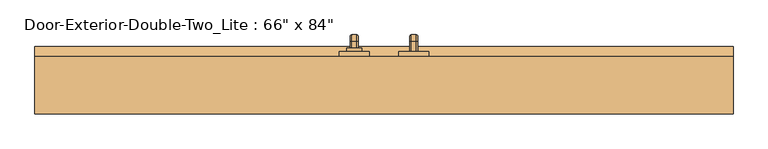
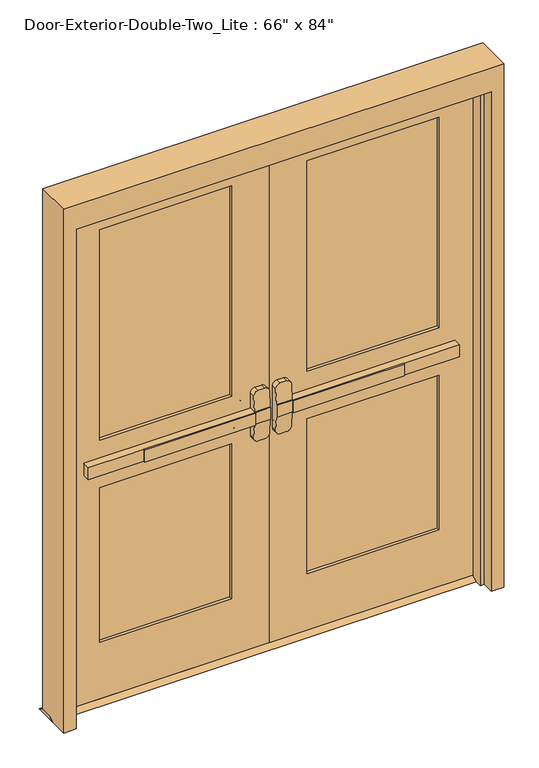
"""IFC4 building model written with IfcOpenShell, lengths in millimetres: door geometry."""

from ifc_helpers import new_model, si_unit, point, frame, frame_2d, origin, place, context, project, spatial, polyline, circle_curve, ellipse_curve, trimmed, segment, composite_curve, outline, extrude, faceted_brep, source, transform, mapped, element, save
from ifc_brep_helpers import plane_surface, cylinder_surface, revolved_surface, advanced_brep


def door_c4ad0d3c(model_context):
    return source(origin(), model_context, "Body", "SolidModel", [
        extrude(outline(polyline([(-524.9333333, 74.6125), (-524.9333333, 80.9625), (-76.2, 80.9625), (-76.2, 74.6125), (-524.9333333, 74.6125)])), frame((0.0, 0.0, 990.6), z_axis=(0.0, 0.0, 1.0), x_axis=(1.0, 0.0, 0.0)), (0.0, 0.0, 1.0), 50.8),
        advanced_brep(
        [(-12.7, 80.9625, 1041.4), (-76.2, 80.9625, 1041.4), (-749.3, 80.9625, 1041.4), (-749.3, 80.9625, 990.6), (-76.2, 80.9625, 990.6), (-12.7, 80.9625, 990.6), (-749.3, 112.7125, 1041.4), (-76.2, 112.7125, 1041.4), (-76.2, 112.7125, 1104.9), (-57.15, 112.7125, 1123.95), (-31.75, 112.7125, 1123.95), (-12.7, 112.7125, 1104.9), (-12.7, 112.7125, 927.1), (-31.75, 112.7125, 908.05), (-57.15, 112.7125, 908.05), (-76.2, 112.7125, 927.1), (-76.2, 112.7125, 990.6), (-749.3, 112.7125, 990.6), (-12.7, 84.1377467, 1041.4), (-76.2, 84.1377467, 1041.4), (-12.7, 84.1377467, 990.6), (-12.7, 89.1479269, 927.1), (-12.7, 89.1479269, 1104.9), (-76.2, 84.1377467, 990.6), (-76.2, 89.1479269, 1104.9), (-76.2, 89.1479269, 927.1), (-57.15, 90.650981, 1123.95), (-31.75, 90.650981, 1123.95), (-31.75, 90.650981, 908.05), (-57.15, 90.650981, 908.05)],
        [
            (0, 1),
            (1, 2),
            (2, 3),
            (3, 4),
            (4, 5),
            (5, 0),
            (6, 7),
            (7, 8),
            (8, 9, circle_curve(frame((-57.15, 112.7125, 1104.9), z_axis=(0.0, 1.0, 0.0), x_axis=(-1.0, 0.0, 0.0)), 19.05)),
            (9, 10),
            (10, 11, circle_curve(frame((-31.75, 112.7125, 1104.9), z_axis=(0.0, 1.0, 0.0), x_axis=(-1.0, 0.0, 0.0)), 19.05)),
            (11, 12),
            (12, 13, circle_curve(frame((-31.75, 112.7125, 927.1), z_axis=(0.0, 1.0, 0.0), x_axis=(-1.0, 0.0, 0.0)), 19.05)),
            (13, 14),
            (14, 15, circle_curve(frame((-57.15, 112.7125, 927.1), z_axis=(0.0, 1.0, 0.0), x_axis=(-1.0, 0.0, 0.0)), 19.05)),
            (15, 16),
            (16, 17),
            (17, 6),
            (0, 18),
            (18, 19),
            (19, 7),
            (6, 2),
            (5, 20),
            (20, 21),
            (21, 12),
            (11, 22),
            (22, 18),
            (16, 23),
            (23, 20),
            (3, 17),
            (19, 24),
            (24, 8),
            (15, 25),
            (25, 23),
            (9, 26),
            (26, 27),
            (27, 10),
            (13, 28),
            (28, 29),
            (29, 14),
            (29, 25, ellipse_curve(frame((-57.15, 89.1479269, 927.1), z_axis=(0.0, 0.9969018152893365, 0.07865602756830282), x_axis=(0.0, -0.07865602756830208, 0.9969018152893365)), 19.1092038, 19.05)),
            (24, 26, ellipse_curve(frame((-57.15, 89.1479269, 1104.9), z_axis=(0.0, 0.9969018152893376, -0.07865602756828934), x_axis=(0.0, -0.078656027568288, -0.9969018152893377)), 19.1092038, 19.05)),
            (27, 22, ellipse_curve(frame((-31.75, 89.1479269, 1104.9), z_axis=(0.0, 0.9969018152893376, -0.07865602756828934), x_axis=(0.0, -0.078656027568288, -0.9969018152893377)), 19.1092038, 19.05)),
            (21, 28, ellipse_curve(frame((-31.75, 89.1479269, 927.1), z_axis=(0.0, 0.9969018152893365, 0.07865602756830282), x_axis=(0.0, -0.07865602756830208, 0.9969018152893365)), 19.1092038, 19.05)),
        ],
        [
            plane_surface(frame((-12.7, 80.9625, 1041.4), z_axis=(0.0, -1.0, 0.0), x_axis=(1.0, 0.0, 0.0))),
            plane_surface(frame((-12.7, 112.7125, 1041.4), z_axis=(0.0, 1.0, 0.0), x_axis=(-1.0, 0.0, 0.0))),
            plane_surface(frame((-749.3, 80.9625, 1041.4), z_axis=(0.0, 0.0, 1.0), x_axis=(0.0, 1.0, 0.0))),
            plane_surface(frame((-12.7, 80.9625, 1041.4), z_axis=(1.0, 0.0, 0.0), x_axis=(0.0, 1.0, 0.0))),
            plane_surface(frame((-12.7, 80.9625, 990.6), z_axis=(0.0, 0.0, -1.0), x_axis=(0.0, 1.0, 0.0))),
            plane_surface(frame((-749.3, 80.9625, 990.6), z_axis=(-1.0, 0.0, 0.0), x_axis=(0.0, 1.0, 0.0))),
            plane_surface(frame((-76.2, 84.1377467, 927.1), z_axis=(-1.0, 0.0, 0.0), x_axis=(0.0, 1.0, 0.0))),
            plane_surface(frame((-57.15, 84.1377467, 1123.95), z_axis=(0.0, 0.0, 1.0), x_axis=(0.0, 1.0, 0.0))),
            plane_surface(frame((-31.75, 84.1377467, 908.05), z_axis=(0.0, 0.0, -1.0), x_axis=(0.0, 1.0, 0.0))),
            cylinder_surface(frame((-57.15, 112.7125, 927.1), z_axis=(0.0, -1.0, 0.0), x_axis=(-1.0, 0.0, 0.0)), 19.05),
            cylinder_surface(frame((-57.15, 112.7125, 1104.9), z_axis=(0.0, -1.0, 0.0), x_axis=(-1.0, 0.0, 0.0)), 19.05),
            cylinder_surface(frame((-31.75, 112.7125, 1104.9), z_axis=(0.0, -1.0, 0.0), x_axis=(-1.0, 0.0, 0.0)), 19.05),
            cylinder_surface(frame((-31.75, 112.7125, 927.1), z_axis=(0.0, -1.0, 0.0), x_axis=(-1.0, 0.0, 0.0)), 19.05),
            plane_surface(frame((-76.2, 84.1377467, 1041.4), z_axis=(0.0, -0.9969018152893376, 0.07865602756828934), x_axis=(1.0, 0.0, 0.0))),
            plane_surface(frame((-76.2, 90.650981, 908.05), z_axis=(0.0, -0.9969018152893365, -0.07865602756830282), x_axis=(1.0, 0.0, 0.0))),
        ],
        [
            (0, [[1, 2, 3, 4, 5, 6]]),
            (1, [[7, 8, 9, 10, 11, 12, 13, 14, 15, 16, 17, 18]]),
            (2, [[-2, -1, 19, 20, 21, -7, 22]]),
            (3, [[23, 24, 25, -12, 26, 27, -19, -6]]),
            (4, [[-17, 28, 29, -23, -5, -4, 30]]),
            (5, [[-22, -18, -30, -3]]),
            (6, [[-21, 31, 32, -8]]),
            (6, [[33, 34, -28, -16]]),
            (7, [[35, 36, 37, -10]]),
            (8, [[38, 39, 40, -14]]),
            (9, [[-40, 41, -33, -15]]),
            (10, [[-32, 42, -35, -9]]),
            (11, [[-37, 43, -26, -11]]),
            (12, [[-25, 44, -38, -13]]),
            (13, [[-27, -43, -36, -42, -31, -20]]),
            (14, [[-29, -34, -41, -39, -44, -24]]),
        ],
    ),
        extrude(outline(polyline([(157.1625, 12.7), (182.5625, 0.0), (87.3125, 0.0), (112.7125, 12.7), (157.1625, 12.7)])), frame((-889.0, 0.0, 0.0), z_axis=(1.0, 0.0, 0.0), x_axis=(0.0, 1.0, 0.0)), (0.0, 0.0, 1.0), 1778.0),
        extrude(outline(polyline([(524.9333333, 74.6125), (76.2, 74.6125), (76.2, 80.9625), (524.9333333, 80.9625), (524.9333333, 74.6125)])), frame((0.0, 0.0, 990.6), z_axis=(0.0, 0.0, 1.0), x_axis=(1.0, 0.0, 0.0)), (0.0, 0.0, 1.0), 50.8),
        advanced_brep(
        [(12.7, 80.9625, 1041.4), (12.7, 80.9625, 990.6), (76.2, 80.9625, 990.6), (749.3, 80.9625, 990.6), (749.3, 80.9625, 1041.4), (76.2, 80.9625, 1041.4), (749.3, 112.7125, 1041.4), (749.3, 112.7125, 990.6), (76.2, 112.7125, 990.6), (76.2, 112.7125, 927.1), (57.15, 112.7125, 908.05), (31.75, 112.7125, 908.05), (12.7, 112.7125, 927.1), (12.7, 112.7125, 1104.9), (31.75, 112.7125, 1123.95), (57.15, 112.7125, 1123.95), (76.2, 112.7125, 1104.9), (76.2, 112.7125, 1041.4), (76.2, 84.1377467, 1041.4), (12.7, 84.1377467, 1041.4), (12.7, 89.1479269, 1104.9), (12.7, 89.1479269, 927.1), (12.7, 84.1377467, 990.6), (76.2, 84.1377467, 990.6), (76.2, 89.1479269, 927.1), (76.2, 89.1479269, 1104.9), (31.75, 90.650981, 1123.95), (57.15, 90.650981, 1123.95), (57.15, 90.650981, 908.05), (31.75, 90.650981, 908.05)],
        [
            (0, 1),
            (1, 2),
            (2, 3),
            (3, 4),
            (4, 5),
            (5, 0),
            (6, 7),
            (7, 8),
            (8, 9),
            (9, 10, circle_curve(frame((57.15, 112.7125, 927.1), z_axis=(0.0, 1.0, 0.0), x_axis=(1.0, 0.0, 0.0)), 19.05)),
            (10, 11),
            (11, 12, circle_curve(frame((31.75, 112.7125, 927.1), z_axis=(0.0, 1.0, 0.0), x_axis=(1.0, 0.0, 0.0)), 19.05)),
            (12, 13),
            (13, 14, circle_curve(frame((31.75, 112.7125, 1104.9), z_axis=(0.0, 1.0, 0.0), x_axis=(1.0, 0.0, 0.0)), 19.05)),
            (14, 15),
            (15, 16, circle_curve(frame((57.15, 112.7125, 1104.9), z_axis=(0.0, 1.0, 0.0), x_axis=(1.0, 0.0, 0.0)), 19.05)),
            (16, 17),
            (17, 6),
            (4, 6),
            (17, 18),
            (18, 19),
            (19, 0),
            (19, 20),
            (20, 13),
            (12, 21),
            (21, 22),
            (22, 1),
            (7, 3),
            (22, 23),
            (23, 8),
            (23, 24),
            (24, 9),
            (16, 25),
            (25, 18),
            (14, 26),
            (26, 27),
            (27, 15),
            (10, 28),
            (28, 29),
            (29, 11),
            (24, 28, ellipse_curve(frame((57.15, 89.1479269, 927.1), z_axis=(0.0, 0.9969018152893365, 0.07865602756830282), x_axis=(0.0, -0.07865602756830208, 0.9969018152893365)), 19.1092038, 19.05)),
            (27, 25, ellipse_curve(frame((57.15, 89.1479269, 1104.9), z_axis=(0.0, 0.9969018152893376, -0.07865602756828934), x_axis=(0.0, -0.078656027568288, -0.9969018152893377)), 19.1092038, 19.05)),
            (20, 26, ellipse_curve(frame((31.75, 89.1479269, 1104.9), z_axis=(0.0, 0.9969018152893376, -0.07865602756828934), x_axis=(0.0, -0.078656027568288, -0.9969018152893377)), 19.1092038, 19.05)),
            (29, 21, ellipse_curve(frame((31.75, 89.1479269, 927.1), z_axis=(0.0, 0.9969018152893365, 0.07865602756830282), x_axis=(0.0, -0.07865602756830208, 0.9969018152893365)), 19.1092038, 19.05)),
        ],
        [
            plane_surface(frame((12.7, 80.9625, 1041.4), z_axis=(0.0, -1.0, 0.0), x_axis=(-1.0, 0.0, 0.0))),
            plane_surface(frame((12.7, 112.7125, 1041.4), z_axis=(0.0, 1.0, 0.0), x_axis=(1.0, 0.0, 0.0))),
            plane_surface(frame((749.3, 80.9625, 1041.4), z_axis=(0.0, 0.0, 1.0), x_axis=(0.0, 1.0, 0.0))),
            plane_surface(frame((12.7, 80.9625, 1041.4), z_axis=(-1.0, 0.0, 0.0), x_axis=(0.0, 1.0, 0.0))),
            plane_surface(frame((12.7, 80.9625, 990.6), z_axis=(0.0, 0.0, -1.0), x_axis=(0.0, 1.0, 0.0))),
            plane_surface(frame((749.3, 80.9625, 990.6), z_axis=(1.0, 0.0, 0.0), x_axis=(0.0, 1.0, 0.0))),
            plane_surface(frame((76.2, 84.1377467, 927.1), z_axis=(1.0, 0.0, 0.0), x_axis=(0.0, 1.0, 0.0))),
            plane_surface(frame((57.15, 84.1377467, 1123.95), z_axis=(0.0, 0.0, 1.0), x_axis=(0.0, 1.0, 0.0))),
            plane_surface(frame((31.75, 84.1377467, 908.05), z_axis=(0.0, 0.0, -1.0), x_axis=(0.0, 1.0, 0.0))),
            cylinder_surface(frame((57.15, 112.7125, 927.1), z_axis=(0.0, -1.0, 0.0), x_axis=(1.0, 0.0, 0.0)), 19.05),
            cylinder_surface(frame((57.15, 112.7125, 1104.9), z_axis=(0.0, -1.0, 0.0), x_axis=(1.0, 0.0, 0.0)), 19.05),
            cylinder_surface(frame((31.75, 112.7125, 1104.9), z_axis=(0.0, -1.0, 0.0), x_axis=(1.0, 0.0, 0.0)), 19.05),
            cylinder_surface(frame((31.75, 112.7125, 927.1), z_axis=(0.0, -1.0, 0.0), x_axis=(1.0, 0.0, 0.0)), 19.05),
            plane_surface(frame((76.2, 84.1377467, 1041.4), z_axis=(0.0, -0.9969018152893376, 0.07865602756828934), x_axis=(-1.0, 0.0, 0.0))),
            plane_surface(frame((76.2, 90.650981, 908.05), z_axis=(0.0, -0.9969018152893365, -0.07865602756830282), x_axis=(-1.0, 0.0, 0.0))),
        ],
        [
            (0, [[1, 2, 3, 4, 5, 6]]),
            (1, [[7, 8, 9, 10, 11, 12, 13, 14, 15, 16, 17, 18]]),
            (2, [[19, -18, 20, 21, 22, -6, -5]]),
            (3, [[-1, -22, 23, 24, -13, 25, 26, 27]]),
            (4, [[28, -3, -2, -27, 29, 30, -8]]),
            (5, [[-4, -28, -7, -19]]),
            (6, [[-9, -30, 31, 32]]),
            (6, [[-17, 33, 34, -20]]),
            (7, [[-15, 35, 36, 37]]),
            (8, [[-11, 38, 39, 40]]),
            (9, [[-10, -32, 41, -38]]),
            (10, [[-16, -37, 42, -33]]),
            (11, [[-14, -24, 43, -35]]),
            (12, [[-12, -40, 44, -25]]),
            (13, [[-21, -34, -42, -36, -43, -23]]),
            (14, [[-26, -44, -39, -41, -31, -29]]),
        ],
    ),
        advanced_brep(
        [(66.2, 169.8625, 1017.190625), (66.2, 169.8625, 1014.809375), (69.771875, 169.8625, 1011.2375), (82.6284594, 169.8625, 1011.2375), (86.2, 169.8625, 1014.8090406), (86.2, 169.8625, 1017.190625), (82.628125, 169.8625, 1020.7625), (69.771875, 169.8625, 1020.7625), (66.2, 169.8625, 887.809375), (69.771875, 169.8625, 884.2375), (82.628125, 169.8625, 884.2375), (86.2, 169.8625, 887.809375), (86.2, 169.8625, 890.1909594), (82.6284594, 169.8625, 893.7625), (69.771875, 169.8625, 893.7625), (66.2, 169.8625, 890.190625), (66.2, 195.2625, 1017.190625), (66.2, 209.153125, 1003.3), (66.2, 209.153125, 901.7), (66.2, 195.2625, 887.809375), (66.2, 195.2625, 890.190625), (66.2, 206.771875, 901.7), (66.2, 206.771875, 1003.3), (66.2, 195.2625, 1014.809375), (69.771875, 195.2625, 1011.2375), (82.6284594, 195.2625, 1011.2375), (86.2, 195.2625, 1014.8090406), (86.2, 206.7715406, 1003.3), (86.2, 206.7715406, 901.7), (86.2, 195.2625, 890.1909594), (86.2, 195.2625, 887.809375), (86.2, 209.153125, 901.7), (86.2, 209.153125, 1003.3), (86.2, 195.2625, 1017.190625), (82.628125, 195.2625, 1020.7625), (69.771875, 195.2625, 1020.7625), (69.771875, 203.2, 1003.3), (82.6284594, 203.2, 1003.3), (82.628125, 212.725, 1003.3), (69.771875, 212.725, 1003.3), (69.771875, 203.2, 901.7), (82.6284594, 203.2, 901.7), (82.628125, 212.725, 901.7), (69.771875, 212.725, 901.7), (69.771875, 195.2625, 893.7625), (82.6284594, 195.2625, 893.7625), (82.628125, 195.2625, 884.2375), (69.771875, 195.2625, 884.2375)],
        [
            (0, 1),
            (1, 2, circle_curve(frame((69.771875, 169.8625, 1014.809375), z_axis=(0.0, -1.0, 0.0), x_axis=(0.0, 0.0, 1.0)), 3.571875)),
            (2, 3),
            (3, 4, circle_curve(frame((82.6284594, 169.8625, 1014.8090406), z_axis=(0.0, -1.0, 0.0), x_axis=(0.0, 0.0, 1.0)), 3.5715406)),
            (4, 5),
            (5, 6, circle_curve(frame((82.628125, 169.8625, 1017.190625), z_axis=(0.0, -1.0, 0.0), x_axis=(0.0, 0.0, 1.0)), 3.571875)),
            (6, 7),
            (7, 0, circle_curve(frame((69.771875, 169.8625, 1017.190625), z_axis=(0.0, -1.0, 0.0), x_axis=(0.0, 0.0, 1.0)), 3.571875)),
            (8, 9, circle_curve(frame((69.771875, 169.8625, 887.809375), z_axis=(0.0, -1.0, 0.0), x_axis=(0.0, 0.0, -1.0)), 3.571875)),
            (9, 10),
            (10, 11, circle_curve(frame((82.628125, 169.8625, 887.809375), z_axis=(0.0, -1.0, 0.0), x_axis=(0.0, 0.0, -1.0)), 3.571875)),
            (11, 12),
            (12, 13, circle_curve(frame((82.6284594, 169.8625, 890.1909594), z_axis=(0.0, -1.0, 0.0), x_axis=(0.0, 0.0, -1.0)), 3.5715406)),
            (13, 14),
            (14, 15, circle_curve(frame((69.771875, 169.8625, 890.190625), z_axis=(0.0, -1.0, 0.0), x_axis=(0.0, 0.0, -1.0)), 3.571875)),
            (15, 8),
            (0, 16),
            (16, 17, circle_curve(frame((66.2, 195.2625, 1003.3), z_axis=(-1.0, 0.0, 0.0), x_axis=(0.0, 0.0, 1.0)), 13.890625)),
            (17, 18),
            (18, 19, circle_curve(frame((66.2, 195.2625, 901.7), z_axis=(-1.0, 0.0, 0.0), x_axis=(0.0, 1.0, 0.0)), 13.890625)),
            (19, 8),
            (15, 20),
            (20, 21, circle_curve(frame((66.2, 195.2625, 901.7), z_axis=(1.0, 0.0, 0.0), x_axis=(0.0, 1.0, 0.0)), 11.509375)),
            (21, 22),
            (22, 23, circle_curve(frame((66.2, 195.2625, 1003.3), z_axis=(1.0, 0.0, 0.0), x_axis=(0.0, 0.0, 1.0)), 11.509375)),
            (23, 1),
            (23, 24, circle_curve(frame((69.771875, 195.2625, 1014.809375), z_axis=(0.0, -1.0, 0.0), x_axis=(0.0, 0.0, 1.0)), 3.571875)),
            (24, 2),
            (24, 25),
            (25, 3),
            (25, 26, circle_curve(frame((82.6284594, 195.2625, 1014.8090406), z_axis=(0.0, -1.0, 0.0), x_axis=(0.0, 0.0, 1.0)), 3.5715406)),
            (26, 4),
            (26, 27, circle_curve(frame((86.2, 195.2625, 1003.3), z_axis=(-1.0, 0.0, 0.0), x_axis=(0.0, 0.0, 1.0)), 11.5090406)),
            (27, 28),
            (28, 29, circle_curve(frame((86.2, 195.2625, 901.7), z_axis=(-1.0, 0.0, 0.0), x_axis=(0.0, 1.0, 0.0)), 11.5090406)),
            (29, 12),
            (11, 30),
            (30, 31, circle_curve(frame((86.2, 195.2625, 901.7), z_axis=(1.0, 0.0, 0.0), x_axis=(0.0, 1.0, 0.0)), 13.890625)),
            (31, 32),
            (32, 33, circle_curve(frame((86.2, 195.2625, 1003.3), z_axis=(1.0, 0.0, 0.0), x_axis=(0.0, 0.0, 1.0)), 13.890625)),
            (33, 5),
            (33, 34, circle_curve(frame((82.628125, 195.2625, 1017.190625), z_axis=(0.0, -1.0, 0.0), x_axis=(0.0, 0.0, 1.0)), 3.571875)),
            (34, 6),
            (34, 35),
            (35, 7),
            (35, 16, circle_curve(frame((69.771875, 195.2625, 1017.190625), z_axis=(0.0, -1.0, 0.0), x_axis=(0.0, 0.0, 1.0)), 3.571875)),
            (36, 24, circle_curve(frame((69.771875, 195.2625, 1003.3), z_axis=(1.0, 0.0, 0.0), x_axis=(0.0, 0.0, 1.0)), 7.9375)),
            (22, 36, circle_curve(frame((69.771875, 206.771875, 1003.3), z_axis=(0.0, 0.0, 1.0), x_axis=(0.0, 1.0, 0.0)), 3.571875)),
            (37, 25, circle_curve(frame((82.6284594, 195.2625, 1003.3), z_axis=(1.0, 0.0, 0.0), x_axis=(0.0, 0.0, 1.0)), 7.9375)),
            (36, 37),
            (37, 27, circle_curve(frame((82.6284594, 206.7715406, 1003.3), z_axis=(0.0, 0.0, 1.0), x_axis=(0.0, 1.0, 0.0)), 3.5715406)),
            (38, 34, circle_curve(frame((82.628125, 195.2625, 1003.3), z_axis=(1.0, 0.0, 0.0), x_axis=(0.0, 0.0, 1.0)), 17.4625)),
            (32, 38, circle_curve(frame((82.628125, 209.153125, 1003.3), z_axis=(0.0, 0.0, 1.0), x_axis=(0.0, 1.0, 0.0)), 3.571875)),
            (39, 35, circle_curve(frame((69.771875, 195.2625, 1003.3), z_axis=(1.0, 0.0, 0.0), x_axis=(0.0, 0.0, 1.0)), 17.4625)),
            (38, 39),
            (39, 17, circle_curve(frame((69.771875, 209.153125, 1003.3), z_axis=(0.0, 0.0, 1.0), x_axis=(0.0, 1.0, 0.0)), 3.571875)),
            (21, 40, circle_curve(frame((69.771875, 206.771875, 901.7), z_axis=(0.0, 0.0, 1.0), x_axis=(0.0, 1.0, 0.0)), 3.571875)),
            (40, 36),
            (40, 41),
            (41, 37),
            (41, 28, circle_curve(frame((82.6284594, 206.7715406, 901.7), z_axis=(0.0, 0.0, 1.0), x_axis=(0.0, 1.0, 0.0)), 3.5715406)),
            (31, 42, circle_curve(frame((82.628125, 209.153125, 901.7), z_axis=(0.0, 0.0, 1.0), x_axis=(0.0, 1.0, 0.0)), 3.571875)),
            (42, 38),
            (42, 43),
            (43, 39),
            (43, 18, circle_curve(frame((69.771875, 209.153125, 901.7), z_axis=(0.0, 0.0, 1.0), x_axis=(0.0, 1.0, 0.0)), 3.571875)),
            (44, 40, circle_curve(frame((69.771875, 195.2625, 901.7), z_axis=(1.0, 0.0, 0.0), x_axis=(0.0, 1.0, 0.0)), 7.9375)),
            (20, 44, circle_curve(frame((69.771875, 195.2625, 890.190625), z_axis=(0.0, 1.0, 0.0), x_axis=(0.0, 0.0, -1.0)), 3.571875)),
            (45, 41, circle_curve(frame((82.6284594, 195.2625, 901.7), z_axis=(1.0, 0.0, 0.0), x_axis=(0.0, 1.0, 0.0)), 7.9375)),
            (44, 45),
            (45, 29, circle_curve(frame((82.6284594, 195.2625, 890.1909594), z_axis=(0.0, 1.0, 0.0), x_axis=(0.0, 0.0, -1.0)), 3.5715406)),
            (46, 42, circle_curve(frame((82.628125, 195.2625, 901.7), z_axis=(1.0, 0.0, 0.0), x_axis=(0.0, 1.0, 0.0)), 17.4625)),
            (30, 46, circle_curve(frame((82.628125, 195.2625, 887.809375), z_axis=(0.0, 1.0, 0.0), x_axis=(0.0, 0.0, -1.0)), 3.571875)),
            (47, 43, circle_curve(frame((69.771875, 195.2625, 901.7), z_axis=(1.0, 0.0, 0.0), x_axis=(0.0, 1.0, 0.0)), 17.4625)),
            (46, 47),
            (47, 19, circle_curve(frame((69.771875, 195.2625, 887.809375), z_axis=(0.0, 1.0, 0.0), x_axis=(0.0, 0.0, -1.0)), 3.571875)),
            (14, 44),
            (13, 45),
            (10, 46),
            (9, 47),
        ],
        [
            plane_surface(frame((76.2, 169.8625, 1016.0), z_axis=(0.0, -1.0, 0.0), x_axis=(1.0, 0.0, 0.0))),
            plane_surface(frame((76.2, 169.8625, 889.0), z_axis=(0.0, -1.0, 0.0), x_axis=(1.0, 0.0, 0.0))),
            plane_surface(frame((66.2, 169.8625, 1017.190625), z_axis=(-1.0, 0.0, 0.0), x_axis=(0.0, 1.0, 0.0))),
            cylinder_surface(frame((69.771875, 169.8625, 1014.809375), z_axis=(0.0, -1.0, 0.0), x_axis=(0.0, 0.0, 1.0)), 3.571875),
            plane_surface(frame((69.771875, 169.8625, 1011.2375), z_axis=(0.0, 0.0, -1.0), x_axis=(0.0, 1.0, 0.0))),
            cylinder_surface(frame((82.6284594, 169.8625, 1014.8090406), z_axis=(0.0, -1.0, 0.0), x_axis=(0.0, 0.0, 1.0)), 3.5715406),
            plane_surface(frame((86.2, 169.8625, 1014.8090406), z_axis=(1.0, 0.0, 0.0), x_axis=(0.0, 1.0, 0.0))),
            cylinder_surface(frame((82.628125, 169.8625, 1017.190625), z_axis=(0.0, -1.0, 0.0), x_axis=(0.0, 0.0, 1.0)), 3.571875),
            plane_surface(frame((82.628125, 169.8625, 1020.7625), z_axis=(0.0, 0.0, 1.0), x_axis=(0.0, 1.0, 0.0))),
            cylinder_surface(frame((69.771875, 169.8625, 1017.190625), z_axis=(0.0, -1.0, 0.0), x_axis=(0.0, 0.0, 1.0)), 3.571875),
            revolved_surface(trimmed(ellipse_curve(frame((69.771875, 195.2625, 1014.809375), z_axis=(0.0, -1.0, 0.0), x_axis=(0.0, 0.0, 1.0)), 3.571875, 3.571875), [point((66.2, 195.2625, 1014.809375))], [point((69.771875, 195.2625, 1011.2375))], True, "CARTESIAN"), (76.2, 195.2625, 1003.3), (-1.0, 0.0, 0.0)),
            revolved_surface(polyline([(69.771875, 195.2625, 1011.2375), (82.6284594, 195.2625, 1011.2375)]), (76.2, 195.2625, 1003.3), (-1.0, 0.0, 0.0)),
            revolved_surface(trimmed(ellipse_curve(frame((82.6284594, 195.2625, 1014.8090406), z_axis=(0.0, -1.0, 0.0), x_axis=(0.0, 0.0, 1.0)), 3.5715406, 3.5715406), [point((82.6284594, 195.2625, 1011.2375))], [point((86.2, 195.2625, 1014.8090406))], True, "CARTESIAN"), (76.2, 195.2625, 1003.3), (-1.0, 0.0, 0.0)),
            revolved_surface(trimmed(ellipse_curve(frame((82.628125, 195.2625, 1017.190625), z_axis=(0.0, -1.0, 0.0), x_axis=(0.0, 0.0, 1.0)), 3.571875, 3.571875), [point((86.2, 195.2625, 1017.190625))], [point((82.628125, 195.2625, 1020.7625))], True, "CARTESIAN"), (76.2, 195.2625, 1003.3), (-1.0, 0.0, 0.0)),
            cylinder_surface(frame((76.2, 195.2625, 1003.3), z_axis=(-1.0, 0.0, 0.0), x_axis=(0.0, 0.0, 1.0)), 17.4625),
            revolved_surface(trimmed(ellipse_curve(frame((69.771875, 195.2625, 1017.190625), z_axis=(0.0, -1.0, 0.0), x_axis=(0.0, 0.0, 1.0)), 3.571875, 3.571875), [point((69.771875, 195.2625, 1020.7625))], [point((66.2, 195.2625, 1017.190625))], True, "CARTESIAN"), (76.2, 195.2625, 1003.3), (-1.0, 0.0, 0.0)),
            cylinder_surface(frame((69.771875, 206.771875, 1003.3), z_axis=(0.0, 0.0, 1.0), x_axis=(0.0, 1.0, 0.0)), 3.571875),
            plane_surface(frame((69.771875, 203.2, 1003.3), z_axis=(0.0, -1.0, 0.0), x_axis=(0.0, 0.0, -1.0))),
            cylinder_surface(frame((82.6284594, 206.7715406, 1003.3), z_axis=(0.0, 0.0, 1.0), x_axis=(0.0, 1.0, 0.0)), 3.5715406),
            cylinder_surface(frame((82.628125, 209.153125, 1003.3), z_axis=(0.0, 0.0, 1.0), x_axis=(0.0, 1.0, 0.0)), 3.571875),
            plane_surface(frame((82.628125, 212.725, 1003.3), z_axis=(0.0, 1.0, 0.0), x_axis=(0.0, 0.0, -1.0))),
            cylinder_surface(frame((69.771875, 209.153125, 1003.3), z_axis=(0.0, 0.0, 1.0), x_axis=(0.0, 1.0, 0.0)), 3.571875),
            revolved_surface(trimmed(ellipse_curve(frame((69.771875, 206.771875, 901.7), z_axis=(0.0, 0.0, 1.0), x_axis=(0.0, 1.0, 0.0)), 3.571875, 3.571875), [point((66.2, 206.771875, 901.7))], [point((69.771875, 203.2, 901.7))], True, "CARTESIAN"), (76.2, 195.2625, 901.7), (-1.0, 0.0, 0.0)),
            revolved_surface(polyline([(69.771875, 203.2, 901.7), (82.6284594, 203.2, 901.7)]), (76.2, 195.2625, 901.7), (-1.0, 0.0, 0.0)),
            revolved_surface(trimmed(ellipse_curve(frame((82.6284594, 206.7715406, 901.7), z_axis=(0.0, 0.0, 1.0), x_axis=(0.0, 1.0, 0.0)), 3.5715406, 3.5715406), [point((82.6284594, 203.2, 901.7))], [point((86.2, 206.7715406, 901.7))], True, "CARTESIAN"), (76.2, 195.2625, 901.7), (-1.0, 0.0, 0.0)),
            revolved_surface(trimmed(ellipse_curve(frame((82.628125, 209.153125, 901.7), z_axis=(0.0, 0.0, 1.0), x_axis=(0.0, 1.0, 0.0)), 3.571875, 3.571875), [point((86.2, 209.153125, 901.7))], [point((82.628125, 212.725, 901.7))], True, "CARTESIAN"), (76.2, 195.2625, 901.7), (-1.0, 0.0, 0.0)),
            cylinder_surface(frame((76.2, 195.2625, 901.7), z_axis=(-1.0, 0.0, 0.0), x_axis=(0.0, 1.0, 0.0)), 17.4625),
            revolved_surface(trimmed(ellipse_curve(frame((69.771875, 209.153125, 901.7), z_axis=(0.0, 0.0, 1.0), x_axis=(0.0, 1.0, 0.0)), 3.571875, 3.571875), [point((69.771875, 212.725, 901.7))], [point((66.2, 209.153125, 901.7))], True, "CARTESIAN"), (76.2, 195.2625, 901.7), (-1.0, 0.0, 0.0)),
            cylinder_surface(frame((69.771875, 195.2625, 890.190625), z_axis=(0.0, 1.0, 0.0), x_axis=(0.0, 0.0, -1.0)), 3.571875),
            plane_surface(frame((69.771875, 195.2625, 893.7625), z_axis=(0.0, 0.0, 1.0), x_axis=(0.0, -1.0, 0.0))),
            cylinder_surface(frame((82.6284594, 195.2625, 890.1909594), z_axis=(0.0, 1.0, 0.0), x_axis=(0.0, 0.0, -1.0)), 3.5715406),
            cylinder_surface(frame((82.628125, 195.2625, 887.809375), z_axis=(0.0, 1.0, 0.0), x_axis=(0.0, 0.0, -1.0)), 3.571875),
            plane_surface(frame((82.628125, 195.2625, 884.2375), z_axis=(0.0, 0.0, -1.0), x_axis=(0.0, -1.0, 0.0))),
            cylinder_surface(frame((69.771875, 195.2625, 887.809375), z_axis=(0.0, 1.0, 0.0), x_axis=(0.0, 0.0, -1.0)), 3.571875),
        ],
        [
            (0, [[1, 2, 3, 4, 5, 6, 7, 8]]),
            (1, [[9, 10, 11, 12, 13, 14, 15, 16]]),
            (2, [[-1, 17, 18, 19, 20, 21, -16, 22, 23, 24, 25, 26]]),
            (3, [[-2, -26, 27, 28]]),
            (4, [[-3, -28, 29, 30]]),
            (5, [[-4, -30, 31, 32]]),
            (6, [[-5, -32, 33, 34, 35, 36, -12, 37, 38, 39, 40, 41]]),
            (7, [[-6, -41, 42, 43]]),
            (8, [[-7, -43, 44, 45]]),
            (9, [[-8, -45, 46, -17]]),
            (10, [[47, -27, -25, 48]]),
            (11, [[49, -29, -47, 50]]),
            (12, [[-33, -31, -49, 51]]),
            (13, [[52, -42, -40, 53]]),
            (14, [[54, -44, -52, 55]]),
            (15, [[-18, -46, -54, 56]]),
            (16, [[-48, -24, 57, 58]]),
            (17, [[-50, -58, 59, 60]]),
            (18, [[-51, -60, 61, -34]]),
            (19, [[-53, -39, 62, 63]]),
            (20, [[-55, -63, 64, 65]]),
            (21, [[-56, -65, 66, -19]]),
            (22, [[67, -57, -23, 68]]),
            (23, [[69, -59, -67, 70]]),
            (24, [[-35, -61, -69, 71]]),
            (25, [[72, -62, -38, 73]]),
            (26, [[74, -64, -72, 75]]),
            (27, [[-20, -66, -74, 76]]),
            (28, [[-68, -22, -15, 77]]),
            (29, [[-70, -77, -14, 78]]),
            (30, [[-71, -78, -13, -36]]),
            (31, [[-73, -37, -11, 79]]),
            (32, [[-75, -79, -10, 80]]),
            (33, [[-76, -80, -9, -21]]),
        ],
    ),
        extrude(outline(composite_curve([segment(trimmed(circle_curve(frame_2d((1113.0338574, 76.2)), 89.3016225), [point((1193.8, 114.3))], [point((1193.8, 38.1))], False, "CARTESIAN"), True, "CONTINUOUS"), segment(polyline([(1193.8, 38.1), (838.2, 38.1)]), True, "CONTINUOUS"), segment(trimmed(circle_curve(frame_2d((918.9661426, 76.2)), 89.3016225), [point((838.2, 38.1))], [point((838.2, 114.3))], False, "CARTESIAN"), True, "CONTINUOUS"), segment(polyline([(838.2, 114.3), (1193.8, 114.3)]), True, "CONTINUOUS")], self_intersect=False)), frame((0.0, 157.1625, 0.0), z_axis=(0.0, 1.0, 0.0), x_axis=(0.0, 0.0, 1.0)), (0.0, 0.0, 1.0), 12.7),
        advanced_brep(
        [(-86.2, 169.8625, 1017.190625), (-86.2, 169.8625, 1014.809375), (-82.628125, 169.8625, 1011.2375), (-69.7715406, 169.8625, 1011.2375), (-66.2, 169.8625, 1014.8090406), (-66.2, 169.8625, 1017.190625), (-69.771875, 169.8625, 1020.7625), (-82.628125, 169.8625, 1020.7625), (-86.2, 169.8625, 887.809375), (-82.628125, 169.8625, 884.2375), (-69.771875, 169.8625, 884.2375), (-66.2, 169.8625, 887.809375), (-66.2, 169.8625, 890.1909594), (-69.7715406, 169.8625, 893.7625), (-82.628125, 169.8625, 893.7625), (-86.2, 169.8625, 890.190625), (-86.2, 195.2625, 1017.190625), (-86.2, 209.153125, 1003.3), (-86.2, 209.153125, 901.7), (-86.2, 195.2625, 887.809375), (-86.2, 195.2625, 890.190625), (-86.2, 206.771875, 901.7), (-86.2, 206.771875, 1003.3), (-86.2, 195.2625, 1014.809375), (-82.628125, 195.2625, 1011.2375), (-69.7715406, 195.2625, 1011.2375), (-66.2, 195.2625, 1014.8090406), (-66.2, 206.7715406, 1003.3), (-66.2, 206.7715406, 901.7), (-66.2, 195.2625, 890.1909594), (-66.2, 195.2625, 887.809375), (-66.2, 209.153125, 901.7), (-66.2, 209.153125, 1003.3), (-66.2, 195.2625, 1017.190625), (-69.771875, 195.2625, 1020.7625), (-82.628125, 195.2625, 1020.7625), (-82.628125, 203.2, 1003.3), (-69.7715406, 203.2, 1003.3), (-69.771875, 212.725, 1003.3), (-82.628125, 212.725, 1003.3), (-82.628125, 203.2, 901.7), (-69.7715406, 203.2, 901.7), (-69.771875, 212.725, 901.7), (-82.628125, 212.725, 901.7), (-82.628125, 195.2625, 893.7625), (-69.7715406, 195.2625, 893.7625), (-69.771875, 195.2625, 884.2375), (-82.628125, 195.2625, 884.2375)],
        [
            (0, 1),
            (1, 2, circle_curve(frame((-82.628125, 169.8625, 1014.809375), z_axis=(0.0, -1.0, 0.0), x_axis=(0.0, 0.0, 1.0)), 3.571875)),
            (2, 3),
            (3, 4, circle_curve(frame((-69.7715406, 169.8625, 1014.8090406), z_axis=(0.0, -1.0, 0.0), x_axis=(0.0, 0.0, 1.0)), 3.5715406)),
            (4, 5),
            (5, 6, circle_curve(frame((-69.771875, 169.8625, 1017.190625), z_axis=(0.0, -1.0, 0.0), x_axis=(0.0, 0.0, 1.0)), 3.571875)),
            (6, 7),
            (7, 0, circle_curve(frame((-82.628125, 169.8625, 1017.190625), z_axis=(0.0, -1.0, 0.0), x_axis=(0.0, 0.0, 1.0)), 3.571875)),
            (8, 9, circle_curve(frame((-82.628125, 169.8625, 887.809375), z_axis=(0.0, -1.0, 0.0), x_axis=(0.0, 0.0, -1.0)), 3.571875)),
            (9, 10),
            (10, 11, circle_curve(frame((-69.771875, 169.8625, 887.809375), z_axis=(0.0, -1.0, 0.0), x_axis=(0.0, 0.0, -1.0)), 3.571875)),
            (11, 12),
            (12, 13, circle_curve(frame((-69.7715406, 169.8625, 890.1909594), z_axis=(0.0, -1.0, 0.0), x_axis=(0.0, 0.0, -1.0)), 3.5715406)),
            (13, 14),
            (14, 15, circle_curve(frame((-82.628125, 169.8625, 890.190625), z_axis=(0.0, -1.0, 0.0), x_axis=(0.0, 0.0, -1.0)), 3.571875)),
            (15, 8),
            (0, 16),
            (16, 17, circle_curve(frame((-86.2, 195.2625, 1003.3), z_axis=(-1.0, 0.0, 0.0), x_axis=(0.0, 0.0, 1.0)), 13.890625)),
            (17, 18),
            (18, 19, circle_curve(frame((-86.2, 195.2625, 901.7), z_axis=(-1.0, 0.0, 0.0), x_axis=(0.0, 1.0, 0.0)), 13.890625)),
            (19, 8),
            (15, 20),
            (20, 21, circle_curve(frame((-86.2, 195.2625, 901.7), z_axis=(1.0, 0.0, 0.0), x_axis=(0.0, 1.0, 0.0)), 11.509375)),
            (21, 22),
            (22, 23, circle_curve(frame((-86.2, 195.2625, 1003.3), z_axis=(1.0, 0.0, 0.0), x_axis=(0.0, 0.0, 1.0)), 11.509375)),
            (23, 1),
            (23, 24, circle_curve(frame((-82.628125, 195.2625, 1014.809375), z_axis=(0.0, -1.0, 0.0), x_axis=(0.0, 0.0, 1.0)), 3.571875)),
            (24, 2),
            (24, 25),
            (25, 3),
            (25, 26, circle_curve(frame((-69.7715406, 195.2625, 1014.8090406), z_axis=(0.0, -1.0, 0.0), x_axis=(0.0, 0.0, 1.0)), 3.5715406)),
            (26, 4),
            (26, 27, circle_curve(frame((-66.2, 195.2625, 1003.3), z_axis=(-1.0, 0.0, 0.0), x_axis=(0.0, 0.0, 1.0)), 11.5090406)),
            (27, 28),
            (28, 29, circle_curve(frame((-66.2, 195.2625, 901.7), z_axis=(-1.0, 0.0, 0.0), x_axis=(0.0, 1.0, 0.0)), 11.5090406)),
            (29, 12),
            (11, 30),
            (30, 31, circle_curve(frame((-66.2, 195.2625, 901.7), z_axis=(1.0, 0.0, 0.0), x_axis=(0.0, 1.0, 0.0)), 13.890625)),
            (31, 32),
            (32, 33, circle_curve(frame((-66.2, 195.2625, 1003.3), z_axis=(1.0, 0.0, 0.0), x_axis=(0.0, 0.0, 1.0)), 13.890625)),
            (33, 5),
            (33, 34, circle_curve(frame((-69.771875, 195.2625, 1017.190625), z_axis=(0.0, -1.0, 0.0), x_axis=(0.0, 0.0, 1.0)), 3.571875)),
            (34, 6),
            (34, 35),
            (35, 7),
            (35, 16, circle_curve(frame((-82.628125, 195.2625, 1017.190625), z_axis=(0.0, -1.0, 0.0), x_axis=(0.0, 0.0, 1.0)), 3.571875)),
            (36, 24, circle_curve(frame((-82.628125, 195.2625, 1003.3), z_axis=(1.0, 0.0, 0.0), x_axis=(0.0, 0.0, 1.0)), 7.9375)),
            (22, 36, circle_curve(frame((-82.628125, 206.771875, 1003.3), z_axis=(0.0, 0.0, 1.0), x_axis=(0.0, 1.0, 0.0)), 3.571875)),
            (37, 25, circle_curve(frame((-69.7715406, 195.2625, 1003.3), z_axis=(1.0, 0.0, 0.0), x_axis=(0.0, 0.0, 1.0)), 7.9375)),
            (36, 37),
            (37, 27, circle_curve(frame((-69.7715406, 206.7715406, 1003.3), z_axis=(0.0, 0.0, 1.0), x_axis=(0.0, 1.0, 0.0)), 3.5715406)),
            (38, 34, circle_curve(frame((-69.771875, 195.2625, 1003.3), z_axis=(1.0, 0.0, 0.0), x_axis=(0.0, 0.0, 1.0)), 17.4625)),
            (32, 38, circle_curve(frame((-69.771875, 209.153125, 1003.3), z_axis=(0.0, 0.0, 1.0), x_axis=(0.0, 1.0, 0.0)), 3.571875)),
            (39, 35, circle_curve(frame((-82.628125, 195.2625, 1003.3), z_axis=(1.0, 0.0, 0.0), x_axis=(0.0, 0.0, 1.0)), 17.4625)),
            (38, 39),
            (39, 17, circle_curve(frame((-82.628125, 209.153125, 1003.3), z_axis=(0.0, 0.0, 1.0), x_axis=(0.0, 1.0, 0.0)), 3.571875)),
            (21, 40, circle_curve(frame((-82.628125, 206.771875, 901.7), z_axis=(0.0, 0.0, 1.0), x_axis=(0.0, 1.0, 0.0)), 3.571875)),
            (40, 36),
            (40, 41),
            (41, 37),
            (41, 28, circle_curve(frame((-69.7715406, 206.7715406, 901.7), z_axis=(0.0, 0.0, 1.0), x_axis=(0.0, 1.0, 0.0)), 3.5715406)),
            (31, 42, circle_curve(frame((-69.771875, 209.153125, 901.7), z_axis=(0.0, 0.0, 1.0), x_axis=(0.0, 1.0, 0.0)), 3.571875)),
            (42, 38),
            (42, 43),
            (43, 39),
            (43, 18, circle_curve(frame((-82.628125, 209.153125, 901.7), z_axis=(0.0, 0.0, 1.0), x_axis=(0.0, 1.0, 0.0)), 3.571875)),
            (44, 40, circle_curve(frame((-82.628125, 195.2625, 901.7), z_axis=(1.0, 0.0, 0.0), x_axis=(0.0, 1.0, 0.0)), 7.9375)),
            (20, 44, circle_curve(frame((-82.628125, 195.2625, 890.190625), z_axis=(0.0, 1.0, 0.0), x_axis=(0.0, 0.0, -1.0)), 3.571875)),
            (45, 41, circle_curve(frame((-69.7715406, 195.2625, 901.7), z_axis=(1.0, 0.0, 0.0), x_axis=(0.0, 1.0, 0.0)), 7.9375)),
            (44, 45),
            (45, 29, circle_curve(frame((-69.7715406, 195.2625, 890.1909594), z_axis=(0.0, 1.0, 0.0), x_axis=(0.0, 0.0, -1.0)), 3.5715406)),
            (46, 42, circle_curve(frame((-69.771875, 195.2625, 901.7), z_axis=(1.0, 0.0, 0.0), x_axis=(0.0, 1.0, 0.0)), 17.4625)),
            (30, 46, circle_curve(frame((-69.771875, 195.2625, 887.809375), z_axis=(0.0, 1.0, 0.0), x_axis=(0.0, 0.0, -1.0)), 3.571875)),
            (47, 43, circle_curve(frame((-82.628125, 195.2625, 901.7), z_axis=(1.0, 0.0, 0.0), x_axis=(0.0, 1.0, 0.0)), 17.4625)),
            (46, 47),
            (47, 19, circle_curve(frame((-82.628125, 195.2625, 887.809375), z_axis=(0.0, 1.0, 0.0), x_axis=(0.0, 0.0, -1.0)), 3.571875)),
            (14, 44),
            (13, 45),
            (10, 46),
            (9, 47),
        ],
        [
            plane_surface(frame((-76.2, 169.8625, 1016.0), z_axis=(0.0, -1.0, 0.0), x_axis=(1.0, 0.0, 0.0))),
            plane_surface(frame((-76.2, 169.8625, 889.0), z_axis=(0.0, -1.0, 0.0), x_axis=(1.0, 0.0, 0.0))),
            plane_surface(frame((-86.2, 169.8625, 1017.190625), z_axis=(-1.0, 0.0, 0.0), x_axis=(0.0, 1.0, 0.0))),
            cylinder_surface(frame((-82.628125, 169.8625, 1014.809375), z_axis=(0.0, -1.0, 0.0), x_axis=(0.0, 0.0, 1.0)), 3.571875),
            plane_surface(frame((-82.628125, 169.8625, 1011.2375), z_axis=(0.0, 0.0, -1.0), x_axis=(0.0, 1.0, 0.0))),
            cylinder_surface(frame((-69.7715406, 169.8625, 1014.8090406), z_axis=(0.0, -1.0, 0.0), x_axis=(0.0, 0.0, 1.0)), 3.5715406),
            plane_surface(frame((-66.2, 169.8625, 1014.8090406), z_axis=(1.0, 0.0, 0.0), x_axis=(0.0, 1.0, 0.0))),
            cylinder_surface(frame((-69.771875, 169.8625, 1017.190625), z_axis=(0.0, -1.0, 0.0), x_axis=(0.0, 0.0, 1.0)), 3.571875),
            plane_surface(frame((-69.771875, 169.8625, 1020.7625), z_axis=(0.0, 0.0, 1.0), x_axis=(0.0, 1.0, 0.0))),
            cylinder_surface(frame((-82.628125, 169.8625, 1017.190625), z_axis=(0.0, -1.0, 0.0), x_axis=(0.0, 0.0, 1.0)), 3.571875),
            revolved_surface(trimmed(ellipse_curve(frame((-82.628125, 195.2625, 1014.809375), z_axis=(0.0, -1.0, 0.0), x_axis=(0.0, 0.0, 1.0)), 3.571875, 3.571875), [point((-86.2, 195.2625, 1014.809375))], [point((-82.628125, 195.2625, 1011.2375))], True, "CARTESIAN"), (-76.2, 195.2625, 1003.3), (-1.0, 0.0, 0.0)),
            revolved_surface(polyline([(-82.628125, 195.2625, 1011.2375), (-69.7715406, 195.2625, 1011.2375)]), (-76.2, 195.2625, 1003.3), (-1.0, 0.0, 0.0)),
            revolved_surface(trimmed(ellipse_curve(frame((-69.7715406, 195.2625, 1014.8090406), z_axis=(0.0, -1.0, 0.0), x_axis=(0.0, 0.0, 1.0)), 3.5715406, 3.5715406), [point((-69.7715406, 195.2625, 1011.2375))], [point((-66.2, 195.2625, 1014.8090406))], True, "CARTESIAN"), (-76.2, 195.2625, 1003.3), (-1.0, 0.0, 0.0)),
            revolved_surface(trimmed(ellipse_curve(frame((-69.771875, 195.2625, 1017.190625), z_axis=(0.0, -1.0, 0.0), x_axis=(0.0, 0.0, 1.0)), 3.571875, 3.571875), [point((-66.2, 195.2625, 1017.190625))], [point((-69.771875, 195.2625, 1020.7625))], True, "CARTESIAN"), (-76.2, 195.2625, 1003.3), (-1.0, 0.0, 0.0)),
            cylinder_surface(frame((-76.2, 195.2625, 1003.3), z_axis=(-1.0, 0.0, 0.0), x_axis=(0.0, 0.0, 1.0)), 17.4625),
            revolved_surface(trimmed(ellipse_curve(frame((-82.628125, 195.2625, 1017.190625), z_axis=(0.0, -1.0, 0.0), x_axis=(0.0, 0.0, 1.0)), 3.571875, 3.571875), [point((-82.628125, 195.2625, 1020.7625))], [point((-86.2, 195.2625, 1017.190625))], True, "CARTESIAN"), (-76.2, 195.2625, 1003.3), (-1.0, 0.0, 0.0)),
            cylinder_surface(frame((-82.628125, 206.771875, 1003.3), z_axis=(0.0, 0.0, 1.0), x_axis=(0.0, 1.0, 0.0)), 3.571875),
            plane_surface(frame((-82.628125, 203.2, 1003.3), z_axis=(0.0, -1.0, 0.0), x_axis=(0.0, 0.0, -1.0))),
            cylinder_surface(frame((-69.7715406, 206.7715406, 1003.3), z_axis=(0.0, 0.0, 1.0), x_axis=(0.0, 1.0, 0.0)), 3.5715406),
            cylinder_surface(frame((-69.771875, 209.153125, 1003.3), z_axis=(0.0, 0.0, 1.0), x_axis=(0.0, 1.0, 0.0)), 3.571875),
            plane_surface(frame((-69.771875, 212.725, 1003.3), z_axis=(0.0, 1.0, 0.0), x_axis=(0.0, 0.0, -1.0))),
            cylinder_surface(frame((-82.628125, 209.153125, 1003.3), z_axis=(0.0, 0.0, 1.0), x_axis=(0.0, 1.0, 0.0)), 3.571875),
            revolved_surface(trimmed(ellipse_curve(frame((-82.628125, 206.771875, 901.7), z_axis=(0.0, 0.0, 1.0), x_axis=(0.0, 1.0, 0.0)), 3.571875, 3.571875), [point((-86.2, 206.771875, 901.7))], [point((-82.628125, 203.2, 901.7))], True, "CARTESIAN"), (-76.2, 195.2625, 901.7), (-1.0, 0.0, 0.0)),
            revolved_surface(polyline([(-82.628125, 203.2, 901.7), (-69.7715406, 203.2, 901.7)]), (-76.2, 195.2625, 901.7), (-1.0, 0.0, 0.0)),
            revolved_surface(trimmed(ellipse_curve(frame((-69.7715406, 206.7715406, 901.7), z_axis=(0.0, 0.0, 1.0), x_axis=(0.0, 1.0, 0.0)), 3.5715406, 3.5715406), [point((-69.7715406, 203.2, 901.7))], [point((-66.2, 206.7715406, 901.7))], True, "CARTESIAN"), (-76.2, 195.2625, 901.7), (-1.0, 0.0, 0.0)),
            revolved_surface(trimmed(ellipse_curve(frame((-69.771875, 209.153125, 901.7), z_axis=(0.0, 0.0, 1.0), x_axis=(0.0, 1.0, 0.0)), 3.571875, 3.571875), [point((-66.2, 209.153125, 901.7))], [point((-69.771875, 212.725, 901.7))], True, "CARTESIAN"), (-76.2, 195.2625, 901.7), (-1.0, 0.0, 0.0)),
            cylinder_surface(frame((-76.2, 195.2625, 901.7), z_axis=(-1.0, 0.0, 0.0), x_axis=(0.0, 1.0, 0.0)), 17.4625),
            revolved_surface(trimmed(ellipse_curve(frame((-82.628125, 209.153125, 901.7), z_axis=(0.0, 0.0, 1.0), x_axis=(0.0, 1.0, 0.0)), 3.571875, 3.571875), [point((-82.628125, 212.725, 901.7))], [point((-86.2, 209.153125, 901.7))], True, "CARTESIAN"), (-76.2, 195.2625, 901.7), (-1.0, 0.0, 0.0)),
            cylinder_surface(frame((-82.628125, 195.2625, 890.190625), z_axis=(0.0, 1.0, 0.0), x_axis=(0.0, 0.0, -1.0)), 3.571875),
            plane_surface(frame((-82.628125, 195.2625, 893.7625), z_axis=(0.0, 0.0, 1.0), x_axis=(0.0, -1.0, 0.0))),
            cylinder_surface(frame((-69.7715406, 195.2625, 890.1909594), z_axis=(0.0, 1.0, 0.0), x_axis=(0.0, 0.0, -1.0)), 3.5715406),
            cylinder_surface(frame((-69.771875, 195.2625, 887.809375), z_axis=(0.0, 1.0, 0.0), x_axis=(0.0, 0.0, -1.0)), 3.571875),
            plane_surface(frame((-69.771875, 195.2625, 884.2375), z_axis=(0.0, 0.0, -1.0), x_axis=(0.0, -1.0, 0.0))),
            cylinder_surface(frame((-82.628125, 195.2625, 887.809375), z_axis=(0.0, 1.0, 0.0), x_axis=(0.0, 0.0, -1.0)), 3.571875),
        ],
        [
            (0, [[1, 2, 3, 4, 5, 6, 7, 8]]),
            (1, [[9, 10, 11, 12, 13, 14, 15, 16]]),
            (2, [[-1, 17, 18, 19, 20, 21, -16, 22, 23, 24, 25, 26]]),
            (3, [[-2, -26, 27, 28]]),
            (4, [[-3, -28, 29, 30]]),
            (5, [[-4, -30, 31, 32]]),
            (6, [[-5, -32, 33, 34, 35, 36, -12, 37, 38, 39, 40, 41]]),
            (7, [[-6, -41, 42, 43]]),
            (8, [[-7, -43, 44, 45]]),
            (9, [[-8, -45, 46, -17]]),
            (10, [[47, -27, -25, 48]]),
            (11, [[49, -29, -47, 50]]),
            (12, [[-33, -31, -49, 51]]),
            (13, [[52, -42, -40, 53]]),
            (14, [[54, -44, -52, 55]]),
            (15, [[-18, -46, -54, 56]]),
            (16, [[-48, -24, 57, 58]]),
            (17, [[-50, -58, 59, 60]]),
            (18, [[-51, -60, 61, -34]]),
            (19, [[-53, -39, 62, 63]]),
            (20, [[-55, -63, 64, 65]]),
            (21, [[-56, -65, 66, -19]]),
            (22, [[67, -57, -23, 68]]),
            (23, [[69, -59, -67, 70]]),
            (24, [[-35, -61, -69, 71]]),
            (25, [[72, -62, -38, 73]]),
            (26, [[74, -64, -72, 75]]),
            (27, [[-20, -66, -74, 76]]),
            (28, [[-68, -22, -15, 77]]),
            (29, [[-70, -77, -14, 78]]),
            (30, [[-71, -78, -13, -36]]),
            (31, [[-73, -37, -11, 79]]),
            (32, [[-75, -79, -10, 80]]),
            (33, [[-76, -80, -9, -21]]),
        ],
    ),
        extrude(outline(composite_curve([segment(trimmed(circle_curve(frame_2d((1117.6, -76.2)), 19.0), [point((1117.6, -95.2))], [point((1117.6, -57.2))], False, "CARTESIAN"), True, "CONTINUOUS"), segment(trimmed(circle_curve(frame_2d((1117.6, -76.2)), 19.0), [point((1117.6, -57.2))], [point((1117.6, -95.2))], False, "CARTESIAN"), True, "CONTINUOUS")], self_intersect=False)), frame((0.0, 169.8625, 0.0), z_axis=(0.0, 1.0, 0.0), x_axis=(0.0, 0.0, 1.0)), (0.0, 0.0, 1.0), 8.73125),
        extrude(outline(composite_curve([segment(trimmed(circle_curve(frame_2d((1113.0338574, -76.2)), 89.3016225), [point((1193.8, -38.1))], [point((1193.8, -114.3))], False, "CARTESIAN"), True, "CONTINUOUS"), segment(polyline([(1193.8, -114.3), (838.2, -114.3)]), True, "CONTINUOUS"), segment(trimmed(circle_curve(frame_2d((918.9661426, -76.2)), 89.3016225), [point((838.2, -114.3))], [point((838.2, -38.1))], False, "CARTESIAN"), True, "CONTINUOUS"), segment(polyline([(838.2, -38.1), (1193.8, -38.1)]), True, "CONTINUOUS")], self_intersect=False)), frame((0.0, 157.1625, 0.0), z_axis=(0.0, 1.0, 0.0), x_axis=(0.0, 0.0, 1.0)), (0.0, 0.0, 1.0), 12.7),
        faceted_brep([(838.2, 107.95, 0.0), (838.2, 157.1625, 0.0), (889.0, 157.1625, 0.0), (889.0, 11.1125, 0.0), (838.2, 11.1125, 0.0), (838.2, 60.325, 0.0), (822.325, 60.325, 0.0), (822.325, 107.95, 0.0), (838.2, 107.95, 2133.6), (838.2, 157.1625, 2133.6), (-838.2, 157.1625, 2133.6), (-838.2, 157.1625, 0.0), (-889.0, 157.1625, 0.0), (-889.0, 157.1625, 2235.2), (889.0, 157.1625, 2235.2), (889.0, 11.1125, 2235.2), (-889.0, 11.1125, 2235.2), (-889.0, 11.1125, 0.0), (-838.2, 11.1125, 0.0), (-838.2, 11.1125, 2133.6), (838.2, 11.1125, 2133.6), (838.2, 60.325, 2133.6), (-838.2, 60.325, 2133.6), (-838.2, 60.325, 0.0), (-822.325, 60.325, 0.0), (-822.325, 60.325, 2117.725), (822.325, 60.325, 2117.725), (822.325, 107.95, 2117.725), (-822.325, 107.95, 2117.725), (-822.325, 107.95, 0.0), (-838.2, 107.95, 0.0), (-838.2, 107.95, 2133.6)], [[[0, 1, 2, 3, 4, 5, 6, 7]], [[1, 0, 8, 9]], [[2, 1, 9, 10, 11, 12, 13, 14]], [[3, 2, 14, 15]], [[4, 3, 15, 16, 17, 18, 19, 20]], [[5, 4, 20, 21]], [[6, 5, 21, 22, 23, 24, 25, 26]], [[7, 6, 26, 27]], [[0, 7, 27, 28, 29, 30, 31, 8]], [[9, 8, 31, 10]], [[20, 19, 22, 21]], [[26, 25, 28, 27]], [[12, 11, 30, 29, 24, 23, 18, 17]], [[11, 10, 31, 30]], [[13, 12, 17, 16]], [[19, 18, 23, 22]], [[25, 24, 29, 28]], [[15, 14, 13, 16]]]),
        extrude(outline(polyline([(2133.6, 1.5875), (12.7, 1.5875), (12.7, 838.2), (2133.6, 838.2), (2133.6, 1.5875)]), holes=[polyline([(2016.125, 152.4), (2016.125, 685.8), (1117.6, 685.8), (1117.6, 152.4), (2016.125, 152.4)]), polyline([(914.4, 152.4), (914.4, 685.8), (254.0, 685.8), (254.0, 152.4), (914.4, 152.4)])]), frame((0.0, 112.7125, 0.0), z_axis=(0.0, 1.0, 0.0), x_axis=(0.0, 0.0, 1.0)), (0.0, 0.0, 1.0), 44.45),
        extrude(outline(polyline([(12.7, -1.5875), (2133.6, -1.5875), (2133.6, -838.2), (12.7, -838.2), (12.7, -1.5875)]), holes=[polyline([(2016.125, -685.8), (2016.125, -152.4), (1117.6, -152.4), (1117.6, -685.8), (2016.125, -685.8)]), polyline([(914.4, -685.8), (914.4, -152.4), (254.0, -152.4), (254.0, -685.8), (914.4, -685.8)])]), frame((0.0, 112.7125, 0.0), z_axis=(0.0, 1.0, 0.0), x_axis=(0.0, 0.0, 1.0)), (0.0, 0.0, 1.0), 44.45),
        extrude(outline(polyline([(685.8, 125.4125), (152.4, 125.4125), (152.4, 144.4625), (685.8, 144.4625), (685.8, 125.4125)])), frame((0.0, 0.0, 1117.6), z_axis=(0.0, 0.0, 1.0), x_axis=(1.0, 0.0, 0.0)), (0.0, 0.0, 1.0), 898.525),
        extrude(outline(polyline([(-152.4, 125.4125), (-685.8, 125.4125), (-685.8, 144.4625), (-152.4, 144.4625), (-152.4, 125.4125)])), frame((0.0, 0.0, 1117.6), z_axis=(0.0, 0.0, 1.0), x_axis=(1.0, 0.0, 0.0)), (0.0, 0.0, 1.0), 898.525),
        extrude(outline(polyline([(-152.4, 125.4125), (-685.8, 125.4125), (-685.8, 144.4625), (-152.4, 144.4625), (-152.4, 125.4125)])), frame((0.0, 0.0, 254.0), z_axis=(0.0, 0.0, 1.0), x_axis=(1.0, 0.0, 0.0)), (0.0, 0.0, 1.0), 660.4),
        extrude(outline(polyline([(685.8, 125.4125), (152.4, 125.4125), (152.4, 144.4625), (685.8, 144.4625), (685.8, 125.4125)])), frame((0.0, 0.0, 254.0), z_axis=(0.0, 0.0, 1.0), x_axis=(1.0, 0.0, 0.0)), (0.0, 0.0, 1.0), 660.4),
    ])


if __name__ == "__main__":
    model = new_model("IFC4")
    model_context = context("Model", 3, world=origin())
    ifc_project = project(units=[si_unit("LENGTHUNIT", "METRE", prefix="MILLI")], contexts=[model_context])
    site = spatial("IfcSite", under=ifc_project)
    building = spatial("IfcBuilding", under=site)
    placement = place(None, origin())
    door_shape = door_c4ad0d3c(model_context)
    element("IfcDoor", 1, ObjectType="Door-Exterior-Double-Two_Lite : 66\" x 84\"", at=placement, inside=building, context=model_context, shape_type="MappedRepresentation", body=[
        mapped(door_shape, transform((0.0, 0.0, 0.0), x_axis=(1.0, 0.0, 0.0), y_axis=(0.0, 1.0, 0.0), z_axis=(0.0, 0.0, 1.0))),
    ])
    save(model, "model.ifc")
